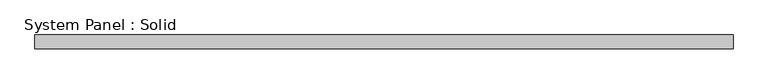
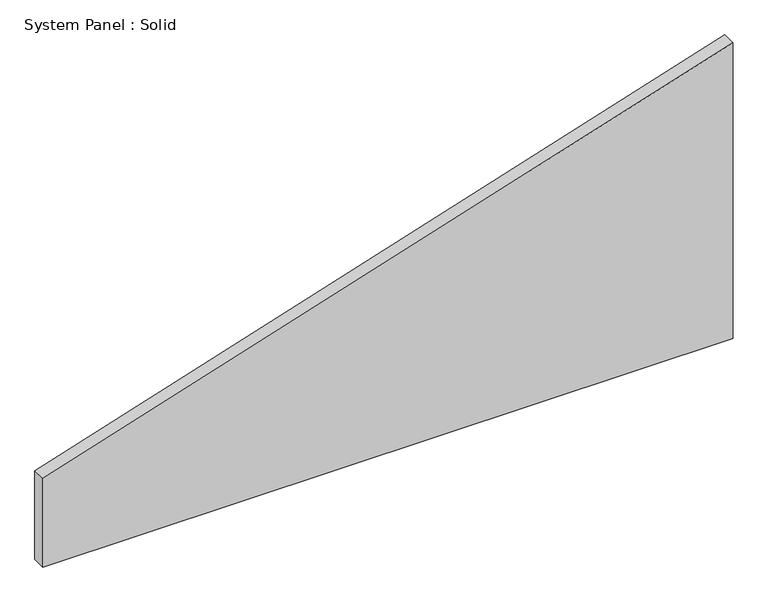
"""IFC4 building model written with IfcOpenShell, lengths in millimetres: plate geometry, System Panel : Solid."""

from ifc_helpers import new_model, si_unit, frame, origin, place, context, project, spatial, polyline, outline, extrude, source, transform, mapped, element, save


def system_panel_solid_50b51689(model_context):
    return source(origin(), model_context, "Body", "SweptSolid", [
        extrude(outline(polyline([(0.0, -1500.0), (0.0, 1500.0), (1360.9237269, 1500.0), (407.2824846, -1500.0), (0.0, -1500.0)])), frame((0.0, -10.5, 0.0), z_axis=(0.0, 1.0, 0.0), x_axis=(0.0, 0.0, 1.0)), (0.0, 0.0, 1.0), 60.0),
    ])


if __name__ == "__main__":
    model = new_model("IFC4")
    model_context = context("Model", 3, world=origin())
    ifc_project = project(units=[si_unit("LENGTHUNIT", "METRE", prefix="MILLI")], contexts=[model_context])
    site = spatial("IfcSite", under=ifc_project)
    building = spatial("IfcBuilding", under=site)
    placement = place(None, origin())
    system_panel_solid_shape = system_panel_solid_50b51689(model_context)
    element("IfcPlate", 1, ObjectType="System Panel : Solid", at=placement, inside=building, context=model_context, shape_type="MappedRepresentation", body=[
        mapped(system_panel_solid_shape, transform((0.0, 0.0, 0.0), x_axis=(1.0, 0.0, 0.0), y_axis=(0.0, 1.0, 0.0), z_axis=(0.0, 0.0, 1.0))),
    ])
    save(model, "model.ifc")
